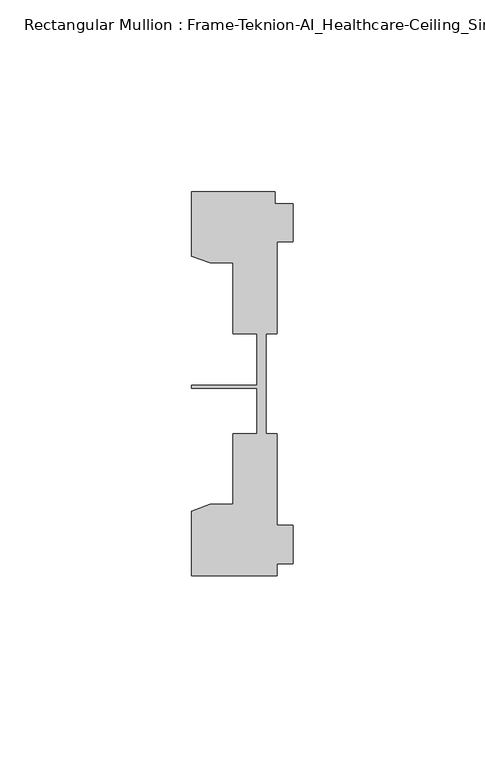
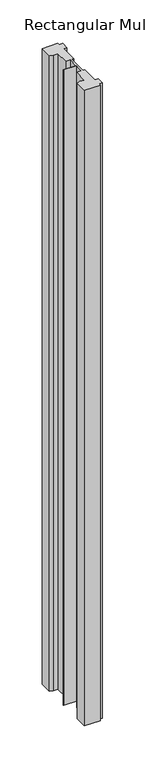
"""IFC4 building model written with IfcOpenShell, lengths in millimetres: member geometry, Rectangular Mullion : Frame-Teknion-AI_Healthcare-Ceiling_Single_Channel."""

from ifc_helpers import new_model, si_unit, frame, origin, place, context, project, spatial, polyline, outline, extrude, source, transform, mapped, element, save


def rectangular_mullion_frame_teknion_ai_healthcare_ceiling_74a818bb(model_context):
    return source(origin(), model_context, "Body", "SweptSolid", [
        extrude(outline(polyline([(-26.4921999, 34.0201677), (-26.4921999, 50.8315128), (-4.7752002, 50.8315128), (-4.7752002, 47.782071), (0.0, 47.782071), (0.0, 37.7820716), (-4.2672007, 37.7820716), (-4.2672007, 13.9110722), (-7.1647766, 13.9110722), (-7.1647766, 0.0814804), (-7.1647766, -12.2509301), (-4.2672007, -12.2509301), (-4.2672007, -36.1219249), (0.0, -36.1219249), (0.0, -46.1219322), (-4.2672007, -46.1219322), (-4.2672007, -49.1699293), (-26.4921999, -49.1699293), (-26.4921999, -32.3600207), (-21.6625199, -30.6279561), (-15.6737764, -30.6279561), (-15.6737764, -12.2509301), (-9.4507761, -12.2509301), (-9.4507761, -0.4036528), (-26.4921999, -0.4036528), (-26.4921999, 0.4036528), (-9.4507761, 0.4036528), (-9.4507761, 13.9110722), (-15.6737764, 13.9110722), (-15.6737764, 32.2880982), (-21.6625199, 32.2880982), (-26.4921999, 34.0201677)])), frame((0.0, 0.0, -920.75), z_axis=(0.0, 0.0, 1.0), x_axis=(1.0, 0.0, 0.0)), (0.0, 0.0, 1.0), 920.75),
    ])


if __name__ == "__main__":
    model = new_model("IFC4")
    model_context = context("Model", 3, world=origin())
    ifc_project = project(units=[si_unit("LENGTHUNIT", "METRE", prefix="MILLI")], contexts=[model_context])
    site = spatial("IfcSite", under=ifc_project)
    building = spatial("IfcBuilding", under=site)
    placement = place(None, origin())
    rectangular_mullion_frame_teknion_ai_healthcare_ceiling_shape = rectangular_mullion_frame_teknion_ai_healthcare_ceiling_74a818bb(model_context)
    element("IfcMember", 1, ObjectType="Rectangular Mullion : Frame-Teknion-AI_Healthcare-Ceiling_Single_Channel", at=placement, inside=building, context=model_context, shape_type="MappedRepresentation", body=[
        mapped(rectangular_mullion_frame_teknion_ai_healthcare_ceiling_shape, transform((0.0, 0.0, 0.0), x_axis=(1.0, 0.0, 0.0), y_axis=(0.0, 1.0, 0.0), z_axis=(0.0, 0.0, 1.0))),
    ])
    save(model, "model.ifc")
